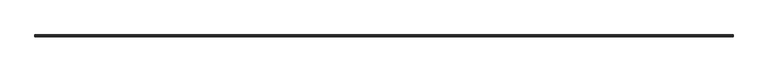
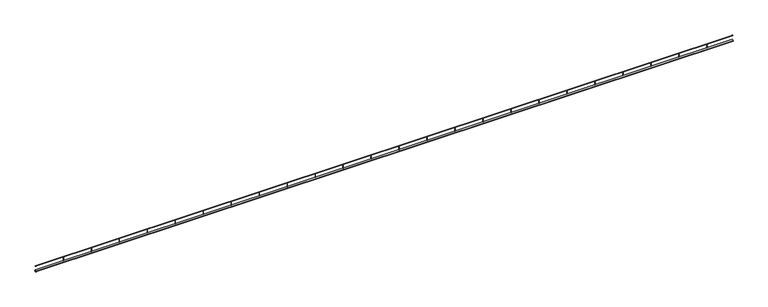
"""IFC4 building model written with IfcOpenShell, lengths in millimetres: railing geometry."""

import ifcopenshell
import ifcopenshell.guid

model = None  # the IFC model being written
_history = None  # IfcOwnerHistory: only IFC2X3 demands one
_inside = {}  # id of a spatial element -> (the spatial element, [elements in it])
_under = {}  # id of a project, library or spatial element -> (it, [spatial elements below it])
_declared = {}  # id of a project -> (the project, [libraries it declares])
_typed = {}  # id of a type object -> (the type object, [elements of that type])
_made_of = {}  # id of a material, layer set ... -> (it, [elements and type objects made of it])


def new_model(schema):
    """Start an empty IFC model of exactly this schema.

    Asked for "IFC4X3", IfcOpenShell would pick the latest addendum, in which some entities
    have other attributes; the version numbers below select the first issue.
    IFC2X3 requires an IfcOwnerHistory on every rooted entity: one is made here for all.
    """
    global model, _history
    if schema == "IFC4X3":
        model = ifcopenshell.file(schema_version=(4, 3, 0, 0))
    else:
        model = ifcopenshell.file(schema=schema)
    _inside.clear()
    _under.clear()
    _declared.clear()
    _typed.clear()
    _made_of.clear()
    _history = None
    if model.schema == "IFC2X3":
        org = make("IfcOrganization", Name="unknown")
        user = make(
            "IfcPersonAndOrganization",
            ThePerson=make("IfcPerson", FamilyName="unknown"),
            TheOrganization=org,
        )
        app = make(
            "IfcApplication",
            ApplicationDeveloper=org,
            Version="unknown",
            ApplicationFullName="unknown",
            ApplicationIdentifier="unknown",
        )
        _history = make(
            "IfcOwnerHistory",
            OwningUser=user,
            OwningApplication=app,
            ChangeAction="ADDED",
            CreationDate=0,
        )
    return model


def make(cls, **values):
    """One entity of the class cls with the attributes given. An attribute that is None is left unset."""
    return model.create_entity(
        cls, **{name: value for name, value in values.items() if value is not None}
    )


def rooted(cls, **values):
    """An entity with a GlobalId (a new one), such as an element, a storey or a relation."""
    return make(cls, GlobalId=ifcopenshell.guid.new(), OwnerHistory=_history, **values)


def si_unit(unit_type, name, prefix=None):
    """IfcSIUnit, for example si_unit("LENGTHUNIT", "METRE", prefix="MILLI")."""
    return make("IfcSIUnit", UnitType=unit_type, Prefix=prefix, Name=name)


def assignment(units):
    """IfcUnitAssignment: the units of a project."""
    return None if units is None else make("IfcUnitAssignment", Units=units)


def point(xyz):
    """IfcCartesianPoint."""
    return None if xyz is None else make("IfcCartesianPoint", Coordinates=xyz)


def direction(xyz):
    """IfcDirection."""
    return None if xyz is None else make("IfcDirection", DirectionRatios=xyz)


def frame(location, z_axis=None, x_axis=None):
    """IfcAxis2Placement3D, a coordinate frame: its origin and axes. An axis left out is left unset."""
    return make(
        "IfcAxis2Placement3D",
        Location=point(location),
        Axis=direction(z_axis),
        RefDirection=direction(x_axis),
    )


def frame_2d(location, x_axis=None):
    """IfcAxis2Placement2D, a coordinate frame in the plane: its origin and x axis."""
    return make(
        "IfcAxis2Placement2D", Location=point(location), RefDirection=direction(x_axis)
    )


def origin():
    """The frame at (0, 0, 0) with its axes left unset."""
    return frame((0.0, 0.0, 0.0))


def place(relative_to, where):
    """IfcLocalPlacement: puts the frame where relative to a parent placement (None: the world)."""
    return make(
        "IfcLocalPlacement", PlacementRelTo=relative_to, RelativePlacement=where
    )


def context(
    kind, dimensions, precision=None, world=None, true_north=None, identifier=None
):
    """IfcGeometricRepresentationContext, for example the 3D "Model" context."""
    return make(
        "IfcGeometricRepresentationContext",
        ContextIdentifier=identifier,
        ContextType=kind,
        CoordinateSpaceDimension=dimensions,
        Precision=precision,
        WorldCoordinateSystem=world,
        TrueNorth=true_north,
    )


def project(units=None, contexts=None):
    """IfcProject with its units and contexts."""
    return rooted(
        "IfcProject",
        Name="project",
        RepresentationContexts=contexts,
        UnitsInContext=assignment(units),
    )


def spatial(cls, under=None, at=None, **own):
    """A site, building, storey or space (cls), placed at a placement, below another one or the project."""
    s = rooted(cls, ObjectPlacement=at, **own)
    if under is not None:
        _under.setdefault(under.id(), (under, []))[1].append(s)
    return s


def circle_curve(where, radius):
    """IfcCircle in the frame where."""
    return make("IfcCircle", Position=where, Radius=radius)


def trimmed(basis, trim1, trim2, sense, master):
    """IfcTrimmedCurve: the piece of a basis curve between two trims."""
    return make(
        "IfcTrimmedCurve",
        BasisCurve=basis,
        Trim1=trim1,
        Trim2=trim2,
        SenseAgreement=sense,
        MasterRepresentation=master,
    )


def segment(curve, same_sense, transition):
    """IfcCompositeCurveSegment."""
    return make(
        "IfcCompositeCurveSegment",
        Transition=transition,
        SameSense=same_sense,
        ParentCurve=curve,
    )


def composite_curve(segments, self_intersect=None):
    """IfcCompositeCurve: segments joined end to end."""
    return make("IfcCompositeCurve", Segments=segments, SelfIntersect=self_intersect)


def outline(outer, holes=None, kind="AREA"):
    """IfcArbitraryClosedProfileDef: a profile drawn as a closed curve; with holes, ...WithVoids."""
    if holes is None:
        return make("IfcArbitraryClosedProfileDef", ProfileType=kind, OuterCurve=outer)
    return make(
        "IfcArbitraryProfileDefWithVoids",
        ProfileType=kind,
        OuterCurve=outer,
        InnerCurves=holes,
    )


def extrude(swept, where, along, depth):
    """IfcExtrudedAreaSolid: the profile swept, set in the frame where, extruded along a direction by depth."""
    return make(
        "IfcExtrudedAreaSolid",
        SweptArea=swept,
        Position=where,
        ExtrudedDirection=direction(along),
        Depth=depth,
    )


def shape(context_of_items, identifier, shape_type, items):
    """IfcShapeRepresentation: the items that make up one representation, for example the "Body"."""
    return make(
        "IfcShapeRepresentation",
        ContextOfItems=context_of_items,
        RepresentationIdentifier=identifier,
        RepresentationType=shape_type,
        Items=items,
    )


def source(mapping_origin, context_of_items, identifier, shape_type, items):
    """IfcRepresentationMap: a shape defined once, which mapped items show again and again."""
    return make(
        "IfcRepresentationMap",
        MappingOrigin=mapping_origin,
        MappedRepresentation=shape(context_of_items, identifier, shape_type, items),
    )


def transform(
    local_origin,
    x_axis=None,
    y_axis=None,
    z_axis=None,
    scale=None,
    scale2=None,
    scale3=None,
    uniform=True,
):
    """IfcCartesianTransformationOperator3D, or its non-uniform kind. x_axis, y_axis, z_axis: its Axis1, 2, 3."""
    if uniform:
        return make(
            "IfcCartesianTransformationOperator3D",
            Axis1=direction(x_axis),
            Axis2=direction(y_axis),
            LocalOrigin=point(local_origin),
            Scale=scale,
            Axis3=direction(z_axis),
        )
    return make(
        "IfcCartesianTransformationOperator3DnonUniform",
        Axis1=direction(x_axis),
        Axis2=direction(y_axis),
        LocalOrigin=point(local_origin),
        Scale=scale,
        Axis3=direction(z_axis),
        Scale2=scale2,
        Scale3=scale3,
    )


def mapped(mapping_source, mapping_target):
    """IfcMappedItem: shows the shape of a source again, moved by a transform."""
    return make(
        "IfcMappedItem", MappingSource=mapping_source, MappingTarget=mapping_target
    )


def made_of(thing, what):
    """Note that an element or type object is made of a material, layer set ...; save() writes the relation."""
    if what is not None:
        _made_of.setdefault(what.id(), (what, []))[1].append(thing)
    return thing


def element(
    cls,
    number,
    at=None,
    inside=None,
    cuts=None,
    type_object=None,
    material=None,
    context=None,
    identifier="Body",
    shape_type=None,
    held_by="IfcProductDefinitionShape",
    body=None,
    shapes=None,
    **own,
):
    """One element of the class cls, such as IfcWall. Its Tag is "e" and its number.

    at: its placement. inside: the storey or other place that contains it. cuts: it is an
    opening in that element (IfcRelVoidsElement). A single representation is given by context,
    identifier, shape_type and body (its items); several are given by shapes. held_by: the class
    of the entity that holds the representations. save() writes the other relations.
    """
    e = rooted(cls, Tag="e%d" % number, ObjectPlacement=at, **own)
    if body is not None:
        shapes = [shape(context, identifier, shape_type, body)]
    if shapes is not None:
        e.Representation = make(held_by, Representations=shapes)
    if inside is not None:
        _inside.setdefault(inside.id(), (inside, []))[1].append(e)
    if cuts is not None:
        rooted(
            "IfcRelVoidsElement", RelatingBuildingElement=cuts, RelatedOpeningElement=e
        )
    if type_object is not None:
        _typed.setdefault(type_object.id(), (type_object, []))[1].append(e)
    return made_of(e, material)


def aggregate(whole, parts):
    """IfcRelAggregates: a whole, such as a stair, and the parts it consists of."""
    return rooted("IfcRelAggregates", RelatingObject=whole, RelatedObjects=parts)


def save(model, path):
    """Write the relations noted so far, then the file.

    IfcRelAggregates (storeys below a building ...), IfcRelContainedInSpatialStructure (elements
    in a storey), IfcRelDefinesByType, IfcRelAssociatesMaterial and IfcRelDeclares: one each for
    every whole, place, type object, material and project.
    """
    for whole, parts in _under.values():
        aggregate(whole, parts)
    for where, things in _inside.values():
        rooted(
            "IfcRelContainedInSpatialStructure",
            RelatedElements=things,
            RelatingStructure=where,
        )
    for kind, things in _typed.values():
        rooted("IfcRelDefinesByType", RelatedObjects=things, RelatingType=kind)
    for what, things in _made_of.values():
        rooted("IfcRelAssociatesMaterial", RelatedObjects=things, RelatingMaterial=what)
    for by, libraries in _declared.values():
        rooted("IfcRelDeclares", RelatingContext=by, RelatedDefinitions=libraries)
    model.write(path)


def railing_45caaf21(model_context):
    return source(origin(), model_context, "Body", "SweptSolid", [
        extrude(outline(composite_curve([segment(trimmed(circle_curve(frame_2d((35320.315005, 2505.0)), 15.0), [point((35335.315005, 2505.0))], [point((35305.315005, 2505.0))], False, "CARTESIAN"), True, "CONTINUOUS"), segment(trimmed(circle_curve(frame_2d((35320.315005, 2505.0)), 15.0), [point((35305.315005, 2505.0))], [point((35335.315005, 2505.0))], False, "CARTESIAN"), True, "CONTINUOUS")], self_intersect=False)), frame((-9898.2422336, 0.0, 0.0), z_axis=(1.0, 0.0, 0.0), x_axis=(0.0, 1.0, 0.0)), (0.0, 0.0, 1.0), 12460.0),
        extrude(outline(composite_curve([segment(trimmed(circle_curve(frame_2d((35320.315005, 2597.5)), 2.5), [point((35322.815005, 2597.5))], [point((35317.815005, 2597.5))], False, "CARTESIAN"), True, "CONTINUOUS"), segment(trimmed(circle_curve(frame_2d((35320.315005, 2597.5)), 2.5), [point((35317.815005, 2597.5))], [point((35322.815005, 2597.5))], False, "CARTESIAN"), True, "CONTINUOUS")], self_intersect=False)), frame((-9898.2422336, 0.0, 0.0), z_axis=(1.0, 0.0, 0.0), x_axis=(0.0, 1.0, 0.0)), (0.0, 0.0, 1.0), 12460.0),
        extrude(outline(composite_curve([segment(trimmed(circle_curve(frame_2d((2101.7577664, 35320.315005)), 2.5), [point((2101.7577664, 35322.815005))], [point((2101.7577664, 35317.815005))], False, "CARTESIAN"), True, "CONTINUOUS"), segment(trimmed(circle_curve(frame_2d((2101.7577664, 35320.315005)), 2.5), [point((2101.7577664, 35317.815005))], [point((2101.7577664, 35322.815005))], False, "CARTESIAN"), True, "CONTINUOUS")], self_intersect=False)), frame((0.0, 0.0, 2520.0), z_axis=(0.0, 0.0, 1.0), x_axis=(1.0, 0.0, 0.0)), (0.0, 0.0, 1.0), 75.0),
        extrude(outline(composite_curve([segment(trimmed(circle_curve(frame_2d((1601.7577664, 35320.315005)), 2.5), [point((1601.7577664, 35322.815005))], [point((1601.7577664, 35317.815005))], False, "CARTESIAN"), True, "CONTINUOUS"), segment(trimmed(circle_curve(frame_2d((1601.7577664, 35320.315005)), 2.5), [point((1601.7577664, 35317.815005))], [point((1601.7577664, 35322.815005))], False, "CARTESIAN"), True, "CONTINUOUS")], self_intersect=False)), frame((0.0, 0.0, 2520.0), z_axis=(0.0, 0.0, 1.0), x_axis=(1.0, 0.0, 0.0)), (0.0, 0.0, 1.0), 75.0),
        extrude(outline(composite_curve([segment(trimmed(circle_curve(frame_2d((1101.7577664, 35320.315005)), 2.5), [point((1101.7577664, 35322.815005))], [point((1101.7577664, 35317.815005))], False, "CARTESIAN"), True, "CONTINUOUS"), segment(trimmed(circle_curve(frame_2d((1101.7577664, 35320.315005)), 2.5), [point((1101.7577664, 35317.815005))], [point((1101.7577664, 35322.815005))], False, "CARTESIAN"), True, "CONTINUOUS")], self_intersect=False)), frame((0.0, 0.0, 2520.0), z_axis=(0.0, 0.0, 1.0), x_axis=(1.0, 0.0, 0.0)), (0.0, 0.0, 1.0), 75.0),
        extrude(outline(composite_curve([segment(trimmed(circle_curve(frame_2d((601.7577664, 35320.315005)), 2.5), [point((601.7577664, 35322.815005))], [point((601.7577664, 35317.815005))], False, "CARTESIAN"), True, "CONTINUOUS"), segment(trimmed(circle_curve(frame_2d((601.7577664, 35320.315005)), 2.5), [point((601.7577664, 35317.815005))], [point((601.7577664, 35322.815005))], False, "CARTESIAN"), True, "CONTINUOUS")], self_intersect=False)), frame((0.0, 0.0, 2520.0), z_axis=(0.0, 0.0, 1.0), x_axis=(1.0, 0.0, 0.0)), (0.0, 0.0, 1.0), 75.0),
        extrude(outline(composite_curve([segment(trimmed(circle_curve(frame_2d((101.7577664, 35320.315005)), 2.5), [point((101.7577664, 35322.815005))], [point((101.7577664, 35317.815005))], False, "CARTESIAN"), True, "CONTINUOUS"), segment(trimmed(circle_curve(frame_2d((101.7577664, 35320.315005)), 2.5), [point((101.7577664, 35317.815005))], [point((101.7577664, 35322.815005))], False, "CARTESIAN"), True, "CONTINUOUS")], self_intersect=False)), frame((0.0, 0.0, 2520.0), z_axis=(0.0, 0.0, 1.0), x_axis=(1.0, 0.0, 0.0)), (0.0, 0.0, 1.0), 75.0),
        extrude(outline(composite_curve([segment(trimmed(circle_curve(frame_2d((-398.2422336, 35320.315005)), 2.5), [point((-398.2422336, 35322.815005))], [point((-398.2422336, 35317.815005))], False, "CARTESIAN"), True, "CONTINUOUS"), segment(trimmed(circle_curve(frame_2d((-398.2422336, 35320.315005)), 2.5), [point((-398.2422336, 35317.815005))], [point((-398.2422336, 35322.815005))], False, "CARTESIAN"), True, "CONTINUOUS")], self_intersect=False)), frame((0.0, 0.0, 2520.0), z_axis=(0.0, 0.0, 1.0), x_axis=(1.0, 0.0, 0.0)), (0.0, 0.0, 1.0), 75.0),
        extrude(outline(composite_curve([segment(trimmed(circle_curve(frame_2d((-898.2422336, 35320.315005)), 2.5), [point((-898.2422336, 35322.815005))], [point((-898.2422336, 35317.815005))], False, "CARTESIAN"), True, "CONTINUOUS"), segment(trimmed(circle_curve(frame_2d((-898.2422336, 35320.315005)), 2.5), [point((-898.2422336, 35317.815005))], [point((-898.2422336, 35322.815005))], False, "CARTESIAN"), True, "CONTINUOUS")], self_intersect=False)), frame((0.0, 0.0, 2520.0), z_axis=(0.0, 0.0, 1.0), x_axis=(1.0, 0.0, 0.0)), (0.0, 0.0, 1.0), 75.0),
        extrude(outline(composite_curve([segment(trimmed(circle_curve(frame_2d((-1398.2422336, 35320.315005)), 2.5), [point((-1398.2422336, 35322.815005))], [point((-1398.2422336, 35317.815005))], False, "CARTESIAN"), True, "CONTINUOUS"), segment(trimmed(circle_curve(frame_2d((-1398.2422336, 35320.315005)), 2.5), [point((-1398.2422336, 35317.815005))], [point((-1398.2422336, 35322.815005))], False, "CARTESIAN"), True, "CONTINUOUS")], self_intersect=False)), frame((0.0, 0.0, 2520.0), z_axis=(0.0, 0.0, 1.0), x_axis=(1.0, 0.0, 0.0)), (0.0, 0.0, 1.0), 75.0),
        extrude(outline(composite_curve([segment(trimmed(circle_curve(frame_2d((-1898.2422336, 35320.315005)), 2.5), [point((-1898.2422336, 35322.815005))], [point((-1898.2422336, 35317.815005))], False, "CARTESIAN"), True, "CONTINUOUS"), segment(trimmed(circle_curve(frame_2d((-1898.2422336, 35320.315005)), 2.5), [point((-1898.2422336, 35317.815005))], [point((-1898.2422336, 35322.815005))], False, "CARTESIAN"), True, "CONTINUOUS")], self_intersect=False)), frame((0.0, 0.0, 2520.0), z_axis=(0.0, 0.0, 1.0), x_axis=(1.0, 0.0, 0.0)), (0.0, 0.0, 1.0), 75.0),
        extrude(outline(composite_curve([segment(trimmed(circle_curve(frame_2d((-2398.2422336, 35320.315005)), 2.5), [point((-2398.2422336, 35322.815005))], [point((-2398.2422336, 35317.815005))], False, "CARTESIAN"), True, "CONTINUOUS"), segment(trimmed(circle_curve(frame_2d((-2398.2422336, 35320.315005)), 2.5), [point((-2398.2422336, 35317.815005))], [point((-2398.2422336, 35322.815005))], False, "CARTESIAN"), True, "CONTINUOUS")], self_intersect=False)), frame((0.0, 0.0, 2520.0), z_axis=(0.0, 0.0, 1.0), x_axis=(1.0, 0.0, 0.0)), (0.0, 0.0, 1.0), 75.0),
        extrude(outline(composite_curve([segment(trimmed(circle_curve(frame_2d((-2898.2422336, 35320.315005)), 2.5), [point((-2898.2422336, 35322.815005))], [point((-2898.2422336, 35317.815005))], False, "CARTESIAN"), True, "CONTINUOUS"), segment(trimmed(circle_curve(frame_2d((-2898.2422336, 35320.315005)), 2.5), [point((-2898.2422336, 35317.815005))], [point((-2898.2422336, 35322.815005))], False, "CARTESIAN"), True, "CONTINUOUS")], self_intersect=False)), frame((0.0, 0.0, 2520.0), z_axis=(0.0, 0.0, 1.0), x_axis=(1.0, 0.0, 0.0)), (0.0, 0.0, 1.0), 75.0),
        extrude(outline(composite_curve([segment(trimmed(circle_curve(frame_2d((-3398.2422336, 35320.315005)), 2.5), [point((-3398.2422336, 35322.815005))], [point((-3398.2422336, 35317.815005))], False, "CARTESIAN"), True, "CONTINUOUS"), segment(trimmed(circle_curve(frame_2d((-3398.2422336, 35320.315005)), 2.5), [point((-3398.2422336, 35317.815005))], [point((-3398.2422336, 35322.815005))], False, "CARTESIAN"), True, "CONTINUOUS")], self_intersect=False)), frame((0.0, 0.0, 2520.0), z_axis=(0.0, 0.0, 1.0), x_axis=(1.0, 0.0, 0.0)), (0.0, 0.0, 1.0), 75.0),
        extrude(outline(composite_curve([segment(trimmed(circle_curve(frame_2d((-3898.2422336, 35320.315005)), 2.5), [point((-3898.2422336, 35322.815005))], [point((-3898.2422336, 35317.815005))], False, "CARTESIAN"), True, "CONTINUOUS"), segment(trimmed(circle_curve(frame_2d((-3898.2422336, 35320.315005)), 2.5), [point((-3898.2422336, 35317.815005))], [point((-3898.2422336, 35322.815005))], False, "CARTESIAN"), True, "CONTINUOUS")], self_intersect=False)), frame((0.0, 0.0, 2520.0), z_axis=(0.0, 0.0, 1.0), x_axis=(1.0, 0.0, 0.0)), (0.0, 0.0, 1.0), 75.0),
        extrude(outline(composite_curve([segment(trimmed(circle_curve(frame_2d((-4398.2422336, 35320.315005)), 2.5), [point((-4398.2422336, 35322.815005))], [point((-4398.2422336, 35317.815005))], False, "CARTESIAN"), True, "CONTINUOUS"), segment(trimmed(circle_curve(frame_2d((-4398.2422336, 35320.315005)), 2.5), [point((-4398.2422336, 35317.815005))], [point((-4398.2422336, 35322.815005))], False, "CARTESIAN"), True, "CONTINUOUS")], self_intersect=False)), frame((0.0, 0.0, 2520.0), z_axis=(0.0, 0.0, 1.0), x_axis=(1.0, 0.0, 0.0)), (0.0, 0.0, 1.0), 75.0),
        extrude(outline(composite_curve([segment(trimmed(circle_curve(frame_2d((-4898.2422336, 35320.315005)), 2.5), [point((-4898.2422336, 35322.815005))], [point((-4898.2422336, 35317.815005))], False, "CARTESIAN"), True, "CONTINUOUS"), segment(trimmed(circle_curve(frame_2d((-4898.2422336, 35320.315005)), 2.5), [point((-4898.2422336, 35317.815005))], [point((-4898.2422336, 35322.815005))], False, "CARTESIAN"), True, "CONTINUOUS")], self_intersect=False)), frame((0.0, 0.0, 2520.0), z_axis=(0.0, 0.0, 1.0), x_axis=(1.0, 0.0, 0.0)), (0.0, 0.0, 1.0), 75.0),
        extrude(outline(composite_curve([segment(trimmed(circle_curve(frame_2d((-5398.2422336, 35320.315005)), 2.5), [point((-5398.2422336, 35322.815005))], [point((-5398.2422336, 35317.815005))], False, "CARTESIAN"), True, "CONTINUOUS"), segment(trimmed(circle_curve(frame_2d((-5398.2422336, 35320.315005)), 2.5), [point((-5398.2422336, 35317.815005))], [point((-5398.2422336, 35322.815005))], False, "CARTESIAN"), True, "CONTINUOUS")], self_intersect=False)), frame((0.0, 0.0, 2520.0), z_axis=(0.0, 0.0, 1.0), x_axis=(1.0, 0.0, 0.0)), (0.0, 0.0, 1.0), 75.0),
        extrude(outline(composite_curve([segment(trimmed(circle_curve(frame_2d((-5898.2422336, 35320.315005)), 2.5), [point((-5898.2422336, 35322.815005))], [point((-5898.2422336, 35317.815005))], False, "CARTESIAN"), True, "CONTINUOUS"), segment(trimmed(circle_curve(frame_2d((-5898.2422336, 35320.315005)), 2.5), [point((-5898.2422336, 35317.815005))], [point((-5898.2422336, 35322.815005))], False, "CARTESIAN"), True, "CONTINUOUS")], self_intersect=False)), frame((0.0, 0.0, 2520.0), z_axis=(0.0, 0.0, 1.0), x_axis=(1.0, 0.0, 0.0)), (0.0, 0.0, 1.0), 75.0),
        extrude(outline(composite_curve([segment(trimmed(circle_curve(frame_2d((-6398.2422336, 35320.315005)), 2.5), [point((-6398.2422336, 35322.815005))], [point((-6398.2422336, 35317.815005))], False, "CARTESIAN"), True, "CONTINUOUS"), segment(trimmed(circle_curve(frame_2d((-6398.2422336, 35320.315005)), 2.5), [point((-6398.2422336, 35317.815005))], [point((-6398.2422336, 35322.815005))], False, "CARTESIAN"), True, "CONTINUOUS")], self_intersect=False)), frame((0.0, 0.0, 2520.0), z_axis=(0.0, 0.0, 1.0), x_axis=(1.0, 0.0, 0.0)), (0.0, 0.0, 1.0), 75.0),
        extrude(outline(composite_curve([segment(trimmed(circle_curve(frame_2d((-6898.2422336, 35320.315005)), 2.5), [point((-6898.2422336, 35322.815005))], [point((-6898.2422336, 35317.815005))], False, "CARTESIAN"), True, "CONTINUOUS"), segment(trimmed(circle_curve(frame_2d((-6898.2422336, 35320.315005)), 2.5), [point((-6898.2422336, 35317.815005))], [point((-6898.2422336, 35322.815005))], False, "CARTESIAN"), True, "CONTINUOUS")], self_intersect=False)), frame((0.0, 0.0, 2520.0), z_axis=(0.0, 0.0, 1.0), x_axis=(1.0, 0.0, 0.0)), (0.0, 0.0, 1.0), 75.0),
        extrude(outline(composite_curve([segment(trimmed(circle_curve(frame_2d((-7398.2422336, 35320.315005)), 2.5), [point((-7398.2422336, 35322.815005))], [point((-7398.2422336, 35317.815005))], False, "CARTESIAN"), True, "CONTINUOUS"), segment(trimmed(circle_curve(frame_2d((-7398.2422336, 35320.315005)), 2.5), [point((-7398.2422336, 35317.815005))], [point((-7398.2422336, 35322.815005))], False, "CARTESIAN"), True, "CONTINUOUS")], self_intersect=False)), frame((0.0, 0.0, 2520.0), z_axis=(0.0, 0.0, 1.0), x_axis=(1.0, 0.0, 0.0)), (0.0, 0.0, 1.0), 75.0),
        extrude(outline(composite_curve([segment(trimmed(circle_curve(frame_2d((-7898.2422336, 35320.315005)), 2.5), [point((-7898.2422336, 35322.815005))], [point((-7898.2422336, 35317.815005))], False, "CARTESIAN"), True, "CONTINUOUS"), segment(trimmed(circle_curve(frame_2d((-7898.2422336, 35320.315005)), 2.5), [point((-7898.2422336, 35317.815005))], [point((-7898.2422336, 35322.815005))], False, "CARTESIAN"), True, "CONTINUOUS")], self_intersect=False)), frame((0.0, 0.0, 2520.0), z_axis=(0.0, 0.0, 1.0), x_axis=(1.0, 0.0, 0.0)), (0.0, 0.0, 1.0), 75.0),
        extrude(outline(composite_curve([segment(trimmed(circle_curve(frame_2d((-8398.2422336, 35320.315005)), 2.5), [point((-8398.2422336, 35322.815005))], [point((-8398.2422336, 35317.815005))], False, "CARTESIAN"), True, "CONTINUOUS"), segment(trimmed(circle_curve(frame_2d((-8398.2422336, 35320.315005)), 2.5), [point((-8398.2422336, 35317.815005))], [point((-8398.2422336, 35322.815005))], False, "CARTESIAN"), True, "CONTINUOUS")], self_intersect=False)), frame((0.0, 0.0, 2520.0), z_axis=(0.0, 0.0, 1.0), x_axis=(1.0, 0.0, 0.0)), (0.0, 0.0, 1.0), 75.0),
        extrude(outline(composite_curve([segment(trimmed(circle_curve(frame_2d((-8898.2422336, 35320.315005)), 2.5), [point((-8898.2422336, 35322.815005))], [point((-8898.2422336, 35317.815005))], False, "CARTESIAN"), True, "CONTINUOUS"), segment(trimmed(circle_curve(frame_2d((-8898.2422336, 35320.315005)), 2.5), [point((-8898.2422336, 35317.815005))], [point((-8898.2422336, 35322.815005))], False, "CARTESIAN"), True, "CONTINUOUS")], self_intersect=False)), frame((0.0, 0.0, 2520.0), z_axis=(0.0, 0.0, 1.0), x_axis=(1.0, 0.0, 0.0)), (0.0, 0.0, 1.0), 75.0),
        extrude(outline(composite_curve([segment(trimmed(circle_curve(frame_2d((-9398.2422336, 35320.315005)), 2.5), [point((-9398.2422336, 35322.815005))], [point((-9398.2422336, 35317.815005))], False, "CARTESIAN"), True, "CONTINUOUS"), segment(trimmed(circle_curve(frame_2d((-9398.2422336, 35320.315005)), 2.5), [point((-9398.2422336, 35317.815005))], [point((-9398.2422336, 35322.815005))], False, "CARTESIAN"), True, "CONTINUOUS")], self_intersect=False)), frame((0.0, 0.0, 2520.0), z_axis=(0.0, 0.0, 1.0), x_axis=(1.0, 0.0, 0.0)), (0.0, 0.0, 1.0), 75.0),
    ])


if __name__ == "__main__":
    model = new_model("IFC4")
    model_context = context("Model", 3, world=origin())
    ifc_project = project(units=[si_unit("LENGTHUNIT", "METRE", prefix="MILLI")], contexts=[model_context])
    site = spatial("IfcSite", under=ifc_project)
    building = spatial("IfcBuilding", under=site)
    placement = place(None, origin())
    railing_shape = railing_45caaf21(model_context)
    element("IfcRailing", 1, at=placement, inside=building, context=model_context, shape_type="MappedRepresentation", body=[
        mapped(railing_shape, transform((0.0, 0.0, 0.0), x_axis=(1.0, 0.0, 0.0), y_axis=(0.0, 1.0, 0.0), z_axis=(0.0, 0.0, 1.0))),
    ])
    save(model, "model.ifc")
